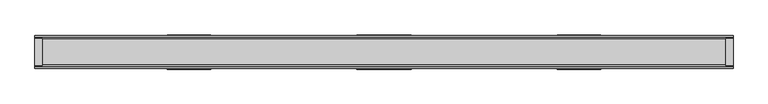
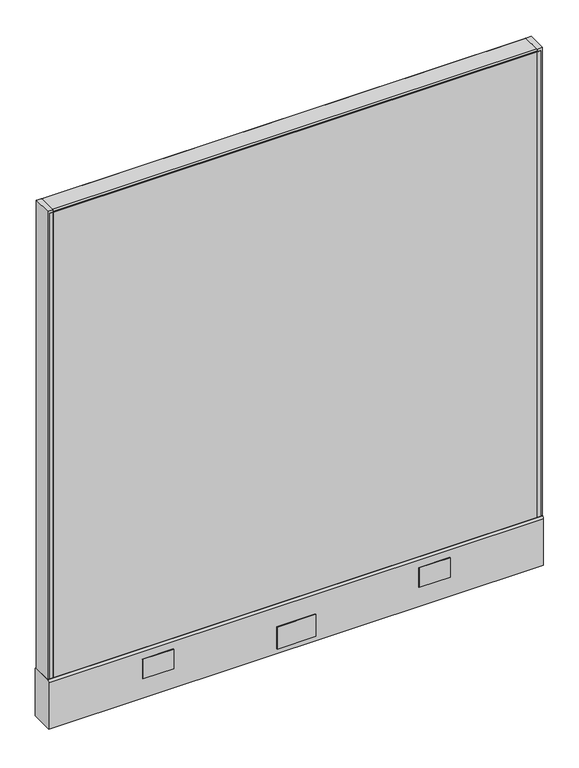
"""IFC4 building model written with IfcOpenShell, lengths in millimetres: furniture geometry."""

import ifcopenshell
import ifcopenshell.guid

model = None  # the IFC model being written
_history = None  # IfcOwnerHistory: only IFC2X3 demands one
_inside = {}  # id of a spatial element -> (the spatial element, [elements in it])
_under = {}  # id of a project, library or spatial element -> (it, [spatial elements below it])
_declared = {}  # id of a project -> (the project, [libraries it declares])
_typed = {}  # id of a type object -> (the type object, [elements of that type])
_made_of = {}  # id of a material, layer set ... -> (it, [elements and type objects made of it])


def new_model(schema):
    """Start an empty IFC model of exactly this schema.

    Asked for "IFC4X3", IfcOpenShell would pick the latest addendum, in which some entities
    have other attributes; the version numbers below select the first issue.
    IFC2X3 requires an IfcOwnerHistory on every rooted entity: one is made here for all.
    """
    global model, _history
    if schema == "IFC4X3":
        model = ifcopenshell.file(schema_version=(4, 3, 0, 0))
    else:
        model = ifcopenshell.file(schema=schema)
    _inside.clear()
    _under.clear()
    _declared.clear()
    _typed.clear()
    _made_of.clear()
    _history = None
    if model.schema == "IFC2X3":
        org = make("IfcOrganization", Name="unknown")
        user = make(
            "IfcPersonAndOrganization",
            ThePerson=make("IfcPerson", FamilyName="unknown"),
            TheOrganization=org,
        )
        app = make(
            "IfcApplication",
            ApplicationDeveloper=org,
            Version="unknown",
            ApplicationFullName="unknown",
            ApplicationIdentifier="unknown",
        )
        _history = make(
            "IfcOwnerHistory",
            OwningUser=user,
            OwningApplication=app,
            ChangeAction="ADDED",
            CreationDate=0,
        )
    return model


def make(cls, **values):
    """One entity of the class cls with the attributes given. An attribute that is None is left unset."""
    return model.create_entity(
        cls, **{name: value for name, value in values.items() if value is not None}
    )


def rooted(cls, **values):
    """An entity with a GlobalId (a new one), such as an element, a storey or a relation."""
    return make(cls, GlobalId=ifcopenshell.guid.new(), OwnerHistory=_history, **values)


def si_unit(unit_type, name, prefix=None):
    """IfcSIUnit, for example si_unit("LENGTHUNIT", "METRE", prefix="MILLI")."""
    return make("IfcSIUnit", UnitType=unit_type, Prefix=prefix, Name=name)


def assignment(units):
    """IfcUnitAssignment: the units of a project."""
    return None if units is None else make("IfcUnitAssignment", Units=units)


def point(xyz):
    """IfcCartesianPoint."""
    return None if xyz is None else make("IfcCartesianPoint", Coordinates=xyz)


def direction(xyz):
    """IfcDirection."""
    return None if xyz is None else make("IfcDirection", DirectionRatios=xyz)


def frame(location, z_axis=None, x_axis=None):
    """IfcAxis2Placement3D, a coordinate frame: its origin and axes. An axis left out is left unset."""
    return make(
        "IfcAxis2Placement3D",
        Location=point(location),
        Axis=direction(z_axis),
        RefDirection=direction(x_axis),
    )


def frame_2d(location, x_axis=None):
    """IfcAxis2Placement2D, a coordinate frame in the plane: its origin and x axis."""
    return make(
        "IfcAxis2Placement2D", Location=point(location), RefDirection=direction(x_axis)
    )


def origin():
    """The frame at (0, 0, 0) with its axes left unset."""
    return frame((0.0, 0.0, 0.0))


def place(relative_to, where):
    """IfcLocalPlacement: puts the frame where relative to a parent placement (None: the world)."""
    return make(
        "IfcLocalPlacement", PlacementRelTo=relative_to, RelativePlacement=where
    )


def context(
    kind, dimensions, precision=None, world=None, true_north=None, identifier=None
):
    """IfcGeometricRepresentationContext, for example the 3D "Model" context."""
    return make(
        "IfcGeometricRepresentationContext",
        ContextIdentifier=identifier,
        ContextType=kind,
        CoordinateSpaceDimension=dimensions,
        Precision=precision,
        WorldCoordinateSystem=world,
        TrueNorth=true_north,
    )


def project(units=None, contexts=None):
    """IfcProject with its units and contexts."""
    return rooted(
        "IfcProject",
        Name="project",
        RepresentationContexts=contexts,
        UnitsInContext=assignment(units),
    )


def spatial(cls, under=None, at=None, **own):
    """A site, building, storey or space (cls), placed at a placement, below another one or the project."""
    s = rooted(cls, ObjectPlacement=at, **own)
    if under is not None:
        _under.setdefault(under.id(), (under, []))[1].append(s)
    return s


def polyline(points):
    """IfcPolyline through the points."""
    return make("IfcPolyline", Points=[point(p) for p in points])


def circle_curve(where, radius):
    """IfcCircle in the frame where."""
    return make("IfcCircle", Position=where, Radius=radius)


def trimmed(basis, trim1, trim2, sense, master):
    """IfcTrimmedCurve: the piece of a basis curve between two trims."""
    return make(
        "IfcTrimmedCurve",
        BasisCurve=basis,
        Trim1=trim1,
        Trim2=trim2,
        SenseAgreement=sense,
        MasterRepresentation=master,
    )


def segment(curve, same_sense, transition):
    """IfcCompositeCurveSegment."""
    return make(
        "IfcCompositeCurveSegment",
        Transition=transition,
        SameSense=same_sense,
        ParentCurve=curve,
    )


def composite_curve(segments, self_intersect=None):
    """IfcCompositeCurve: segments joined end to end."""
    return make("IfcCompositeCurve", Segments=segments, SelfIntersect=self_intersect)


def outline(outer, holes=None, kind="AREA"):
    """IfcArbitraryClosedProfileDef: a profile drawn as a closed curve; with holes, ...WithVoids."""
    if holes is None:
        return make("IfcArbitraryClosedProfileDef", ProfileType=kind, OuterCurve=outer)
    return make(
        "IfcArbitraryProfileDefWithVoids",
        ProfileType=kind,
        OuterCurve=outer,
        InnerCurves=holes,
    )


def extrude(swept, where, along, depth):
    """IfcExtrudedAreaSolid: the profile swept, set in the frame where, extruded along a direction by depth."""
    return make(
        "IfcExtrudedAreaSolid",
        SweptArea=swept,
        Position=where,
        ExtrudedDirection=direction(along),
        Depth=depth,
    )


def shape(context_of_items, identifier, shape_type, items):
    """IfcShapeRepresentation: the items that make up one representation, for example the "Body"."""
    return make(
        "IfcShapeRepresentation",
        ContextOfItems=context_of_items,
        RepresentationIdentifier=identifier,
        RepresentationType=shape_type,
        Items=items,
    )


def source(mapping_origin, context_of_items, identifier, shape_type, items):
    """IfcRepresentationMap: a shape defined once, which mapped items show again and again."""
    return make(
        "IfcRepresentationMap",
        MappingOrigin=mapping_origin,
        MappedRepresentation=shape(context_of_items, identifier, shape_type, items),
    )


def transform(
    local_origin,
    x_axis=None,
    y_axis=None,
    z_axis=None,
    scale=None,
    scale2=None,
    scale3=None,
    uniform=True,
):
    """IfcCartesianTransformationOperator3D, or its non-uniform kind. x_axis, y_axis, z_axis: its Axis1, 2, 3."""
    if uniform:
        return make(
            "IfcCartesianTransformationOperator3D",
            Axis1=direction(x_axis),
            Axis2=direction(y_axis),
            LocalOrigin=point(local_origin),
            Scale=scale,
            Axis3=direction(z_axis),
        )
    return make(
        "IfcCartesianTransformationOperator3DnonUniform",
        Axis1=direction(x_axis),
        Axis2=direction(y_axis),
        LocalOrigin=point(local_origin),
        Scale=scale,
        Axis3=direction(z_axis),
        Scale2=scale2,
        Scale3=scale3,
    )


def mapped(mapping_source, mapping_target):
    """IfcMappedItem: shows the shape of a source again, moved by a transform."""
    return make(
        "IfcMappedItem", MappingSource=mapping_source, MappingTarget=mapping_target
    )


def made_of(thing, what):
    """Note that an element or type object is made of a material, layer set ...; save() writes the relation."""
    if what is not None:
        _made_of.setdefault(what.id(), (what, []))[1].append(thing)
    return thing


def element(
    cls,
    number,
    at=None,
    inside=None,
    cuts=None,
    type_object=None,
    material=None,
    context=None,
    identifier="Body",
    shape_type=None,
    held_by="IfcProductDefinitionShape",
    body=None,
    shapes=None,
    **own,
):
    """One element of the class cls, such as IfcWall. Its Tag is "e" and its number.

    at: its placement. inside: the storey or other place that contains it. cuts: it is an
    opening in that element (IfcRelVoidsElement). A single representation is given by context,
    identifier, shape_type and body (its items); several are given by shapes. held_by: the class
    of the entity that holds the representations. save() writes the other relations.
    """
    e = rooted(cls, Tag="e%d" % number, ObjectPlacement=at, **own)
    if body is not None:
        shapes = [shape(context, identifier, shape_type, body)]
    if shapes is not None:
        e.Representation = make(held_by, Representations=shapes)
    if inside is not None:
        _inside.setdefault(inside.id(), (inside, []))[1].append(e)
    if cuts is not None:
        rooted(
            "IfcRelVoidsElement", RelatingBuildingElement=cuts, RelatedOpeningElement=e
        )
    if type_object is not None:
        _typed.setdefault(type_object.id(), (type_object, []))[1].append(e)
    return made_of(e, material)


def aggregate(whole, parts):
    """IfcRelAggregates: a whole, such as a stair, and the parts it consists of."""
    return rooted("IfcRelAggregates", RelatingObject=whole, RelatedObjects=parts)


def save(model, path):
    """Write the relations noted so far, then the file.

    IfcRelAggregates (storeys below a building ...), IfcRelContainedInSpatialStructure (elements
    in a storey), IfcRelDefinesByType, IfcRelAssociatesMaterial and IfcRelDeclares: one each for
    every whole, place, type object, material and project.
    """
    for whole, parts in _under.values():
        aggregate(whole, parts)
    for where, things in _inside.values():
        rooted(
            "IfcRelContainedInSpatialStructure",
            RelatedElements=things,
            RelatingStructure=where,
        )
    for kind, things in _typed.values():
        rooted("IfcRelDefinesByType", RelatedObjects=things, RelatingType=kind)
    for what, things in _made_of.values():
        rooted("IfcRelAssociatesMaterial", RelatedObjects=things, RelatingMaterial=what)
    for by, libraries in _declared.values():
        rooted("IfcRelDeclares", RelatingContext=by, RelatedDefinitions=libraries)
    model.write(path)


def plane_surface(at):
    """IfcPlane: the flat surface through the origin of the frame at, square to its z axis."""
    return make("IfcPlane", Position=at)


def cylinder_surface(at, radius):
    """IfcCylindricalSurface: all points at the distance radius from the z axis of the frame at."""
    return make("IfcCylindricalSurface", Position=at, Radius=radius)


def advanced_brep(points, edges, surfaces, faces):
    """IfcAdvancedBrep: a solid bounded by faces that lie on surfaces and meet in shared edges.

    An edge is (start, end): straight between two places in points (the first is 0);
    or (start, end, curve); or (start, end, curve, False) where it runs against its curve.
    A face is (place in surfaces, loops), or (place, loops, False) where it looks against
    its surface's normal. A loop lists edges by number (the first is 1), with a minus sign
    where the edge is run from its end to its start. The first loop is the outer one.
    """
    corners = [point(p) for p in points]
    vertices = [make("IfcVertexPoint", VertexGeometry=c) for c in corners]
    made = []
    for start, end, *more in edges:
        made.append(
            make(
                "IfcEdgeCurve",
                EdgeStart=vertices[start],
                EdgeEnd=vertices[end],
                EdgeGeometry=more[0] if more else make("IfcPolyline", Points=[corners[start], corners[end]]),
                SameSense=more[1] if len(more) > 1 else True,
            )
        )
    hull = []
    for where, loops, *sense in faces:
        bounds = []
        for j, loop in enumerate(loops):
            ring = [make("IfcOrientedEdge", EdgeElement=made[abs(k) - 1], Orientation=k > 0) for k in loop]
            bounds.append(
                make(
                    "IfcFaceOuterBound" if j == 0 else "IfcFaceBound",
                    Bound=make("IfcEdgeLoop", EdgeList=ring),
                    Orientation=True,
                )
            )
        hull.append(make("IfcAdvancedFace", Bounds=bounds, FaceSurface=surfaces[where], SameSense=sense[0] if sense else True))
    return make("IfcAdvancedBrep", Outer=make("IfcClosedShell", CfsFaces=hull))


def furniture_8124b2aa(model_context):
    return source(origin(), model_context, "Body", "SolidModel", [
        extrude(outline(polyline([(596.9039688, 25.4), (596.9039688, 0.0), (-596.8960312, 0.0), (-596.8960312, 25.4), (596.9039688, 25.4)])), frame((0.0, 0.0, 136.525), z_axis=(0.0, 0.0, 1.0), x_axis=(1.0, 0.0, 0.0)), (0.0, 0.0, 1.0), 1212.85),
        extrude(outline(polyline([(47.6289688, 28.575), (-47.6210312, 28.575), (-47.6210312, 30.1625), (47.6289688, 30.1625), (47.6289688, 28.575)])), frame((0.0, 0.0, 22.225), z_axis=(0.0, 0.0, 1.0), x_axis=(1.0, 0.0, 0.0)), (0.0, 0.0, 1.0), 57.15),
        extrude(outline(polyline([(47.6289688, -30.1625), (-47.6210312, -30.1625), (-47.6210312, -28.575), (47.6289688, -28.575), (47.6289688, -30.1625)])), frame((0.0, 0.0, 22.225), z_axis=(0.0, 0.0, 1.0), x_axis=(1.0, 0.0, 0.0)), (0.0, 0.0, 1.0), 57.15),
        advanced_brep(
        [(552.45, 0.0, 0.0), (577.85, 0.0, 0.0), (565.15, 0.0, 0.0), (552.45, 0.0, 4.7625), (577.85, 0.0, 4.7625), (558.8, 0.0, 4.7625), (571.5, 0.0, 4.7625), (558.8, 0.0, 111.125), (571.5, 0.0, 111.125), (565.15, 0.0, 111.125)],
        [
            (0, 1, circle_curve(frame((565.15, 0.0, 0.0), z_axis=(0.0, 0.0, -1.0), x_axis=(1.0, 0.0, 0.0)), 12.7)),
            (1, 2),
            (2, 0),
            (1, 0, circle_curve(frame((565.15, 0.0, 0.0), z_axis=(0.0, 0.0, -1.0), x_axis=(1.0, 0.0, 0.0)), 12.7)),
            (3, 4, circle_curve(frame((565.15, 0.0, 4.7625), z_axis=(0.0, 0.0, -1.0), x_axis=(1.0, 0.0, 0.0)), 12.7)),
            (4, 1),
            (0, 3),
            (4, 3, circle_curve(frame((565.15, 0.0, 4.7625), z_axis=(0.0, 0.0, -1.0), x_axis=(1.0, 0.0, 0.0)), 12.7)),
            (5, 6, circle_curve(frame((565.15, 0.0, 4.7625), z_axis=(0.0, 0.0, -1.0), x_axis=(1.0, 0.0, 0.0)), 6.35)),
            (6, 4),
            (3, 5),
            (6, 5, circle_curve(frame((565.15, 0.0, 4.7625), z_axis=(0.0, 0.0, -1.0), x_axis=(1.0, 0.0, 0.0)), 6.35)),
            (7, 8, circle_curve(frame((565.15, 0.0, 111.125), z_axis=(0.0, 0.0, -1.0), x_axis=(1.0, 0.0, 0.0)), 6.35)),
            (8, 6),
            (5, 7),
            (8, 7, circle_curve(frame((565.15, 0.0, 111.125), z_axis=(0.0, 0.0, -1.0), x_axis=(1.0, 0.0, 0.0)), 6.35)),
            (9, 8),
            (7, 9),
        ],
        [
            plane_surface(frame((565.15, 0.0, 0.0), z_axis=(0.0, 0.0, -1.0), x_axis=(1.0, 0.0, 0.0))),
            cylinder_surface(frame((565.15, 0.0, 114.882153), z_axis=(0.0, 0.0, 1.0), x_axis=(1.0, 0.0, 0.0)), 12.7),
            plane_surface(frame((565.15, 0.0, 4.7625), z_axis=(0.0, 0.0, 1.0), x_axis=(1.0, 0.0, 0.0))),
            cylinder_surface(frame((565.15, 0.0, 114.882153), z_axis=(0.0, 0.0, 1.0), x_axis=(1.0, 0.0, 0.0)), 6.35),
            plane_surface(frame((565.15, 0.0, 111.125), z_axis=(0.0, 0.0, 1.0), x_axis=(1.0, 0.0, 0.0))),
        ],
        [
            (0, [[1, 2, 3]]),
            (0, [[4, -3, -2]]),
            (1, [[5, 6, -1, 7]]),
            (1, [[8, -7, -4, -6]]),
            (2, [[9, 10, -5, 11]]),
            (2, [[12, -11, -8, -10]]),
            (3, [[13, 14, -9, 15]]),
            (3, [[16, -15, -12, -14]]),
            (4, [[17, -13, 18]]),
            (4, [[-18, -16, -17]]),
        ],
    ),
        advanced_brep(
        [(-577.85, 0.0, 4.7625), (-552.45, 0.0, 4.7625), (-552.45, 0.0, 0.0), (-577.85, 0.0, 0.0), (-571.5, 0.0, 4.7625), (-558.8, 0.0, 4.7625), (-571.5, 0.0, 111.125), (-558.8, 0.0, 111.125), (-565.15, 0.0, 111.125), (-565.15, 0.0, 0.0)],
        [
            (0, 1, circle_curve(frame((-565.15, 0.0, 4.7625), z_axis=(0.0, 0.0, -1.0), x_axis=(1.0, 0.0, 0.0)), 12.7)),
            (1, 2),
            (2, 3, circle_curve(frame((-565.15, 0.0, 0.0), z_axis=(0.0, 0.0, 1.0), x_axis=(1.0, 0.0, 0.0)), 12.7)),
            (3, 0),
            (1, 0, circle_curve(frame((-565.15, 0.0, 4.7625), z_axis=(0.0, 0.0, -1.0), x_axis=(1.0, 0.0, 0.0)), 12.7)),
            (3, 2, circle_curve(frame((-565.15, 0.0, 0.0), z_axis=(0.0, 0.0, 1.0), x_axis=(1.0, 0.0, 0.0)), 12.7)),
            (4, 5, circle_curve(frame((-565.15, 0.0, 4.7625), z_axis=(0.0, 0.0, -1.0), x_axis=(1.0, 0.0, 0.0)), 6.35)),
            (5, 1),
            (0, 4),
            (5, 4, circle_curve(frame((-565.15, 0.0, 4.7625), z_axis=(0.0, 0.0, -1.0), x_axis=(1.0, 0.0, 0.0)), 6.35)),
            (6, 7, circle_curve(frame((-565.15, 0.0, 111.125), z_axis=(0.0, 0.0, -1.0), x_axis=(1.0, 0.0, 0.0)), 6.35)),
            (7, 5),
            (4, 6),
            (7, 6, circle_curve(frame((-565.15, 0.0, 111.125), z_axis=(0.0, 0.0, -1.0), x_axis=(1.0, 0.0, 0.0)), 6.35)),
            (8, 7),
            (6, 8),
            (2, 9),
            (9, 3),
        ],
        [
            cylinder_surface(frame((-565.15, 0.0, 123.825), z_axis=(0.0, 0.0, 1.0), x_axis=(1.0, 0.0, 0.0)), 12.7),
            plane_surface(frame((-565.15, 0.0, 4.7625), z_axis=(0.0, 0.0, 1.0), x_axis=(1.0, 0.0, 0.0))),
            cylinder_surface(frame((-565.15, 0.0, 123.825), z_axis=(0.0, 0.0, 1.0), x_axis=(1.0, 0.0, 0.0)), 6.35),
            plane_surface(frame((-565.15, 0.0, 111.125), z_axis=(0.0, 0.0, 1.0), x_axis=(1.0, 0.0, 0.0))),
            plane_surface(frame((-565.15, 0.0, 0.0), z_axis=(0.0, 0.0, -1.0), x_axis=(1.0, 0.0, 0.0))),
        ],
        [
            (0, [[1, 2, 3, 4]]),
            (0, [[5, -4, 6, -2]]),
            (1, [[7, 8, -1, 9]]),
            (1, [[10, -9, -5, -8]]),
            (2, [[11, 12, -7, 13]]),
            (2, [[14, -13, -10, -12]]),
            (3, [[15, -11, 16]]),
            (3, [[-16, -14, -15]]),
            (4, [[-3, 17, 18]]),
            (4, [[-6, -18, -17]]),
        ],
    ),
        extrude(outline(polyline([(-609.5960312, 23.8125), (-596.8960313, 23.8125), (-596.8960313, -23.8125), (-609.5960312, -23.8125), (-609.5960312, 23.8125)])), frame((0.0, 0.0, 136.525), z_axis=(0.0, 0.0, 1.0), x_axis=(1.0, 0.0, 0.0)), (0.0, 0.0, 1.0), 1219.2),
        extrude(outline(polyline([(609.6039688, 23.8125), (609.6039688, -23.8125), (596.9039688, -23.8125), (596.9039688, 23.8125), (609.6039688, 23.8125)])), frame((0.0, 0.0, 136.525), z_axis=(0.0, 0.0, 1.0), x_axis=(1.0, 0.0, 0.0)), (0.0, 0.0, 1.0), 1219.2),
        extrude(outline(polyline([(-596.9, 25.4), (-596.9, 23.8125), (-604.8375, 23.8125), (-604.8375, 25.4), (-596.9, 25.4)])), frame((0.0, 0.0, 136.525), z_axis=(0.0, 0.0, 1.0), x_axis=(1.0, 0.0, 0.0)), (0.0, 0.0, 1.0), 1212.85),
        extrude(outline(polyline([(-596.9, -25.4), (-604.8375, -25.4), (-604.8375, -23.8125), (-596.9, -23.8125), (-596.9, -25.4)])), frame((0.0, 0.0, 136.525), z_axis=(0.0, 0.0, 1.0), x_axis=(1.0, 0.0, 0.0)), (0.0, 0.0, 1.0), 1212.85),
        extrude(outline(polyline([(604.8375, 25.4), (604.8375, 23.8125), (596.9, 23.8125), (596.9, 25.4), (604.8375, 25.4)])), frame((0.0, 0.0, 136.525), z_axis=(0.0, 0.0, 1.0), x_axis=(1.0, 0.0, 0.0)), (0.0, 0.0, 1.0), 1212.85),
        extrude(outline(polyline([(596.9, -23.8125), (604.8375, -23.8125), (604.8375, -25.4), (596.9, -25.4), (596.9, -23.8125)])), frame((0.0, 0.0, 136.525), z_axis=(0.0, 0.0, 1.0), x_axis=(1.0, 0.0, 0.0)), (0.0, 0.0, 1.0), 1212.85),
        extrude(outline(composite_curve([segment(trimmed(circle_curve(frame_2d((22.225, 1352.55)), 3.175), [point((22.225, 1355.725))], [point((25.4, 1352.55))], False, "CARTESIAN"), True, "CONTINUOUS"), segment(polyline([(25.4, 1352.55), (25.4, 1349.375), (-25.4, 1349.375), (-25.4, 1352.55)]), True, "CONTINUOUS"), segment(trimmed(circle_curve(frame_2d((-22.225, 1352.55)), 3.175), [point((-25.4, 1352.55))], [point((-22.225, 1355.725))], False, "CARTESIAN"), True, "CONTINUOUS"), segment(polyline([(-22.225, 1355.725), (22.225, 1355.725)]), True, "CONTINUOUS")], self_intersect=False)), frame((-596.8960312, 0.0, 0.0), z_axis=(1.0, 0.0, 0.0), x_axis=(0.0, 1.0, 0.0)), (0.0, 0.0, 1.0), 1193.8),
        extrude(outline(polyline([(378.7179688, 30.1625), (378.7179688, 28.575), (302.4101528, 28.575), (302.4101528, 30.1625), (378.7179688, 30.1625)])), frame((0.0, 0.0, 60.325), z_axis=(0.0, 0.0, 1.0), x_axis=(1.0, 0.0, 0.0)), (0.0, 0.0, 1.0), 50.8),
        extrude(outline(polyline([(-302.4022153, 30.1625), (-302.4022153, 28.575), (-378.7100312, 28.575), (-378.7100312, 30.1625), (-302.4022153, 30.1625)])), frame((0.0, 0.0, 60.325), z_axis=(0.0, 0.0, 1.0), x_axis=(1.0, 0.0, 0.0)), (0.0, 0.0, 1.0), 50.8),
        extrude(outline(polyline([(378.7179688, -28.575), (378.7179688, -30.1625), (302.4101528, -30.1625), (302.4101528, -28.575), (378.7179688, -28.575)])), frame((0.0, 0.0, 60.325), z_axis=(0.0, 0.0, 1.0), x_axis=(1.0, 0.0, 0.0)), (0.0, 0.0, 1.0), 50.8),
        extrude(outline(polyline([(-302.4022153, -28.575), (-302.4022153, -30.1625), (-378.7100312, -30.1625), (-378.7100312, -28.575), (-302.4022153, -28.575)])), frame((0.0, 0.0, 60.325), z_axis=(0.0, 0.0, 1.0), x_axis=(1.0, 0.0, 0.0)), (0.0, 0.0, 1.0), 50.8),
        extrude(outline(composite_curve([segment(trimmed(circle_curve(frame_2d((20.6375, 130.175)), 7.9375), [point((25.4, 136.525))], [point((28.575, 130.175))], False, "CARTESIAN"), True, "CONTINUOUS"), segment(polyline([(28.575, 130.175), (28.575, 9.525), (-28.575, 9.525), (-28.575, 130.175)]), True, "CONTINUOUS"), segment(trimmed(circle_curve(frame_2d((-20.6375, 130.175)), 7.9375), [point((-28.575, 130.175))], [point((-25.4, 136.525))], False, "CARTESIAN"), True, "CONTINUOUS"), segment(polyline([(-25.4, 136.525), (25.4, 136.525)]), True, "CONTINUOUS")], self_intersect=False)), frame((-609.5960312, 0.0, 0.0), z_axis=(1.0, 0.0, 0.0), x_axis=(0.0, 1.0, 0.0)), (0.0, 0.0, 1.0), 1219.2),
        extrude(outline(polyline([(596.9039688, 0.0), (596.9039688, -25.4), (-596.8960312, -25.4), (-596.8960312, 0.0), (596.9039688, 0.0)])), frame((0.0, 0.0, 136.525), z_axis=(0.0, 0.0, 1.0), x_axis=(1.0, 0.0, 0.0)), (0.0, 0.0, 1.0), 1212.85),
    ])


if __name__ == "__main__":
    model = new_model("IFC4")
    model_context = context("Model", 3, world=origin())
    ifc_project = project(units=[si_unit("LENGTHUNIT", "METRE", prefix="MILLI")], contexts=[model_context])
    site = spatial("IfcSite", under=ifc_project)
    building = spatial("IfcBuilding", under=site)
    placement = place(None, origin())
    furniture_shape = furniture_8124b2aa(model_context)
    element("IfcFurniture", 1, at=placement, inside=building, context=model_context, shape_type="MappedRepresentation", body=[
        mapped(furniture_shape, transform((0.0, 0.0, 0.0), x_axis=(1.0, 0.0, 0.0), y_axis=(0.0, 1.0, 0.0), z_axis=(0.0, 0.0, 1.0))),
    ])
    save(model, "model.ifc")
